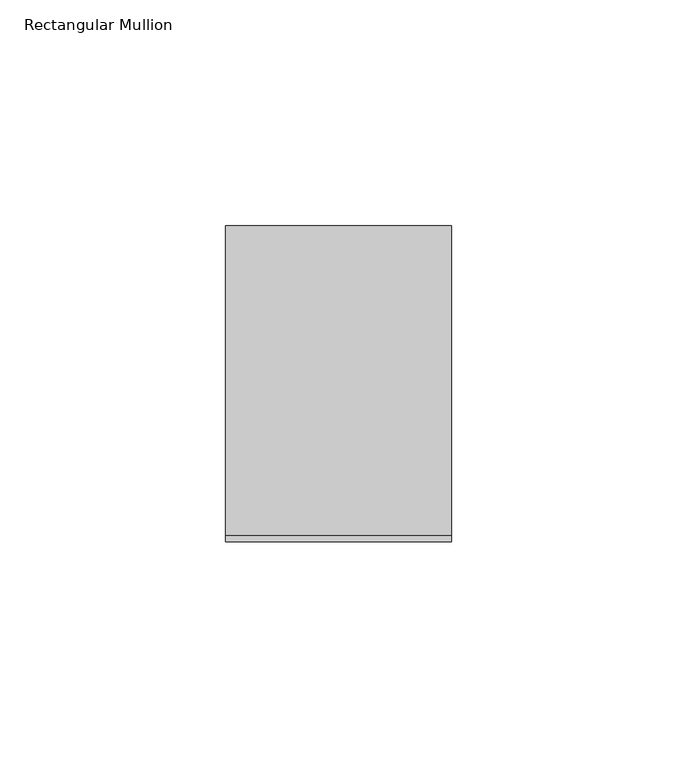
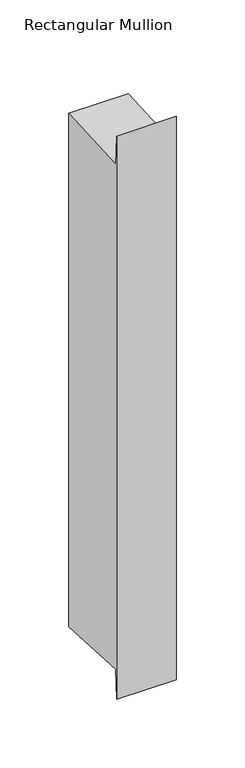
"""IFC4 building model written with IfcOpenShell, lengths in millimetres: member geometry, Rectangular Mullion."""

from ifc_helpers import new_model, si_unit, frame, origin, place, context, project, spatial, polyline, outline, extrude, source, transform, mapped, element, save


def rectangular_mullion_967885d5(model_context):
    return source(origin(), model_context, "Body", "SweptSolid", [
        extrude(outline(polyline([(-35.0, 24.0223615), (-33.5498891, -1.9147718), (35.0, 1.917762), (35.0, -454.311307), (-33.5498891, -450.4787732), (-35.0, -476.4159064), (-35.0, 24.0223615)])), frame((-50.0, 0.0, 0.0), z_axis=(1.0, 0.0, 0.0), x_axis=(0.0, 1.0, 0.0)), (0.0, 0.0, 1.0), 50.0),
    ])


if __name__ == "__main__":
    model = new_model("IFC4")
    model_context = context("Model", 3, world=origin())
    ifc_project = project(units=[si_unit("LENGTHUNIT", "METRE", prefix="MILLI")], contexts=[model_context])
    site = spatial("IfcSite", under=ifc_project)
    building = spatial("IfcBuilding", under=site)
    placement = place(None, origin())
    rectangular_mullion_shape = rectangular_mullion_967885d5(model_context)
    element("IfcMember", 1, ObjectType="Rectangular Mullion", at=placement, inside=building, context=model_context, shape_type="MappedRepresentation", body=[
        mapped(rectangular_mullion_shape, transform((0.0, 0.0, 0.0), x_axis=(1.0, 0.0, 0.0), y_axis=(0.0, 1.0, 0.0), z_axis=(0.0, 0.0, 1.0))),
    ])
    save(model, "model.ifc")
